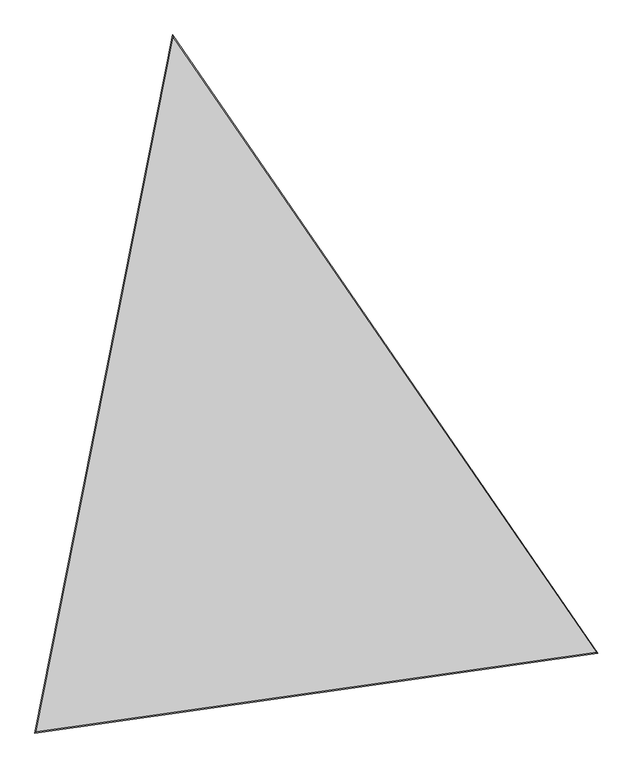
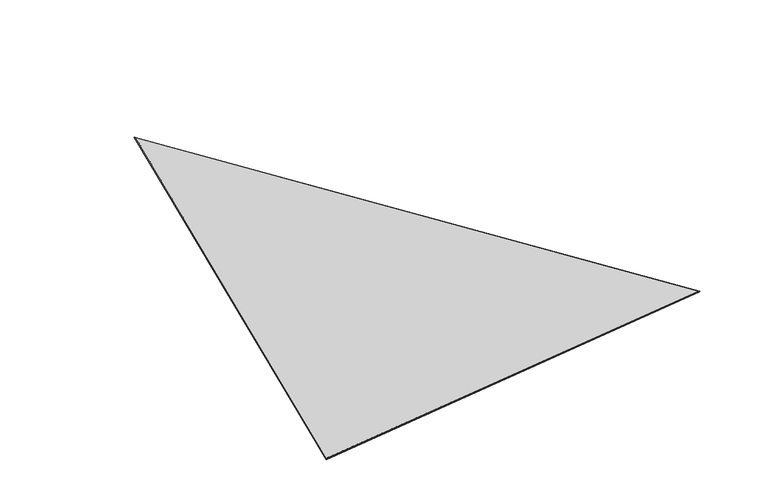
"""IFC4 building model written with IfcOpenShell, lengths in millimetres: proxy geometry."""

from ifc_helpers import new_model, si_unit, frame, origin, place, context, project, spatial, polyline, outline, extrude, faceted_brep, source, transform, mapped, element, save


def generic_models_ce38963f(model_context):
    return source(origin(), model_context, "Body", "SolidModel", [
        faceted_brep([(-19811.6181034, -20634.0730311, -30.0), (-19748.9280614, -20574.6639041, -30.0), (-13213.343056, 12538.9601727, -30.0), (-13239.4335077, 12664.9889329, -30.0), (-19811.6181034, -20634.0730311, -55.0), (-13239.4335077, 12664.9889329, -55.0), (-19748.9280614, -20574.6639041, -55.0), (-13213.343056, 12538.9601727, -55.0), (6978.2434383, -16777.2753352, -30.0), (7065.2268419, -16815.4189036, -30.0), (7065.2268419, -16815.4189036, -55.0), (6978.2434383, -16777.2753352, -55.0)], [[[0, 1, 2, 3]], [[4, 0, 3, 5]], [[6, 4, 5, 7]], [[1, 6, 7, 2]], [[3, 2, 8, 9]], [[5, 3, 9, 10]], [[7, 5, 10, 11]], [[2, 7, 11, 8]], [[9, 8, 1, 0]], [[10, 9, 0, 4]], [[11, 10, 4, 6]], [[8, 11, 6, 1]]]),
        extrude(outline(polyline([(-19748.9280614, -20574.6639041), (-13213.343056, 12538.9601727), (6978.2434383, -16777.2753352), (-19748.9280614, -20574.6639041)])), frame((0.0, 0.0, -75.0), z_axis=(0.0, 0.0, 1.0), x_axis=(1.0, 0.0, 0.0)), (0.0, 0.0, 1.0), 30.0),
        extrude(outline(polyline([(-19748.9280614, -20574.6639041), (-13213.343056, 12538.9601727), (6978.2434383, -16777.2753352), (-19748.9280614, -20574.6639041)])), frame((0.0, 0.0, -30.0), z_axis=(0.0, 0.0, 1.0), x_axis=(1.0, 0.0, 0.0)), (0.0, 0.0, 1.0), 30.0),
    ])


if __name__ == "__main__":
    model = new_model("IFC4")
    model_context = context("Model", 3, world=origin())
    ifc_project = project(units=[si_unit("LENGTHUNIT", "METRE", prefix="MILLI")], contexts=[model_context])
    site = spatial("IfcSite", under=ifc_project)
    building = spatial("IfcBuilding", under=site)
    placement = place(None, origin())
    generic_models_shape = generic_models_ce38963f(model_context)
    element("IfcBuildingElementProxy", 1, Name="Generic Models", at=placement, inside=building, context=model_context, shape_type="MappedRepresentation", body=[
        mapped(generic_models_shape, transform((0.0, 0.0, 0.0), x_axis=(1.0, 0.0, 0.0), y_axis=(0.0, 1.0, 0.0), z_axis=(0.0, 0.0, 1.0))),
    ])
    save(model, "model.ifc")
